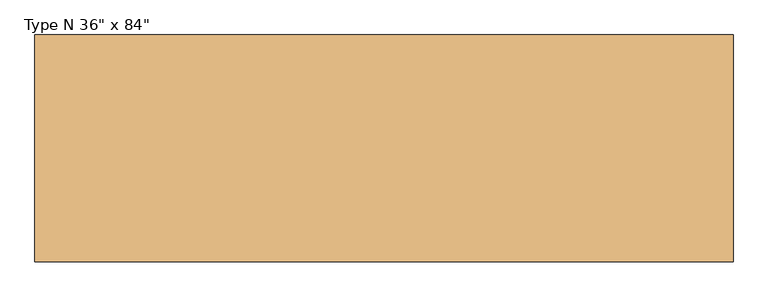
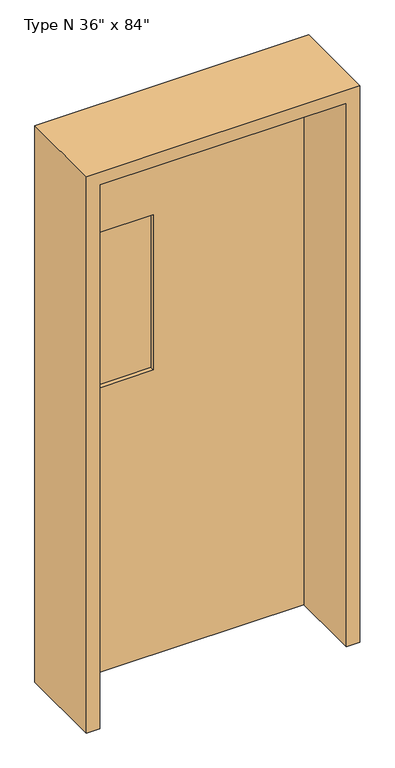
"""IFC4 building model written with IfcOpenShell, lengths in millimetres: door geometry."""

from ifc_helpers import new_model, si_unit, frame, origin, place, context, project, spatial, polyline, outline, extrude, source, transform, mapped, element, save


def door_95aa16f9(model_context):
    return source(origin(), model_context, "Body", "SweptSolid", [
        extrude(outline(polyline([(-101.6, 131.8850506), (-304.8, 131.8850506), (-304.8, 144.5850506), (-101.6, 144.5850506), (-101.6, 131.8850506)])), frame((0.0, 0.0, 1117.6), z_axis=(0.0, 0.0, 1.0), x_axis=(1.0, 0.0, 0.0)), (0.0, 0.0, 1.0), 609.6),
        extrude(outline(polyline([(2133.6, 457.2), (2133.6, -457.2), (0.0, -457.2), (0.0, 457.2), (2133.6, 457.2)]), holes=[polyline([(1727.2, -101.6), (1117.6, -101.6), (1117.6, -304.8), (1727.2, -304.8), (1727.2, -101.6)])]), frame((0.0, 116.0100506, 0.0), z_axis=(0.0, 1.0, 0.0), x_axis=(0.0, 0.0, 1.0)), (0.0, 0.0, 1.0), 44.45),
        extrude(outline(polyline([(2184.4, -508.0), (0.0, -508.0), (0.0, -457.2), (2133.6, -457.2), (2133.6, 457.2), (0.0, 457.2), (0.0, 508.0), (2184.4, 508.0), (2184.4, -508.0)])), frame((0.0, -157.0399494, 0.0), z_axis=(0.0, 1.0, 0.0), x_axis=(0.0, 0.0, 1.0)), (0.0, 0.0, 1.0), 330.2),
    ])


if __name__ == "__main__":
    model = new_model("IFC4")
    model_context = context("Model", 3, world=origin())
    ifc_project = project(units=[si_unit("LENGTHUNIT", "METRE", prefix="MILLI")], contexts=[model_context])
    site = spatial("IfcSite", under=ifc_project)
    building = spatial("IfcBuilding", under=site)
    placement = place(None, origin())
    door_shape = door_95aa16f9(model_context)
    element("IfcDoor", 1, ObjectType="Type N 36\" x 84\"", at=placement, inside=building, context=model_context, shape_type="MappedRepresentation", body=[
        mapped(door_shape, transform((0.0, 0.0, 0.0), x_axis=(1.0, 0.0, 0.0), y_axis=(0.0, 1.0, 0.0), z_axis=(0.0, 0.0, 1.0))),
    ])
    save(model, "model.ifc")
